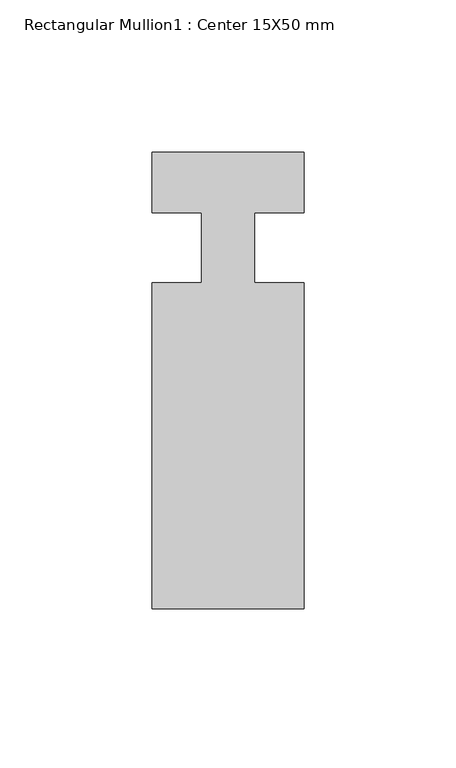
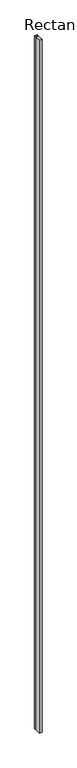
"""IFC4 building model written with IfcOpenShell, lengths in millimetres: member geometry, Rectangular Mullion1 : Center 15X50 mm."""

from ifc_helpers import new_model, si_unit, frame, origin, place, context, project, spatial, polyline, outline, extrude, source, transform, mapped, element, save


def rectangular_mullion1_center_15x50_mm_8edfdc45(model_context):
    return source(origin(), model_context, "Body", "SweptSolid", [
        extrude(outline(polyline([(-50.0, 17.0), (0.0, 17.0), (0.0, -3.0), (-16.3125, -3.0), (-16.3125, -25.8846154), (0.0, -25.8846154), (0.0, -133.0), (-50.0, -133.0), (-50.0, -25.8846154), (-33.6875, -25.8846154), (-33.6875, -3.0), (-50.0, -3.0), (-50.0, 17.0)])), frame((0.0, 0.0, -13800.0), z_axis=(0.0, 0.0, 1.0), x_axis=(1.0, 0.0, 0.0)), (0.0, 0.0, 1.0), 13800.0),
    ])


if __name__ == "__main__":
    model = new_model("IFC4")
    model_context = context("Model", 3, world=origin())
    ifc_project = project(units=[si_unit("LENGTHUNIT", "METRE", prefix="MILLI")], contexts=[model_context])
    site = spatial("IfcSite", under=ifc_project)
    building = spatial("IfcBuilding", under=site)
    placement = place(None, origin())
    rectangular_mullion1_center_15x50_mm_shape = rectangular_mullion1_center_15x50_mm_8edfdc45(model_context)
    element("IfcMember", 1, ObjectType="Rectangular Mullion1 : Center 15X50 mm", at=placement, inside=building, context=model_context, shape_type="MappedRepresentation", body=[
        mapped(rectangular_mullion1_center_15x50_mm_shape, transform((0.0, 0.0, 0.0), x_axis=(1.0, 0.0, 0.0), y_axis=(0.0, 1.0, 0.0), z_axis=(0.0, 0.0, 1.0))),
    ])
    save(model, "model.ifc")
